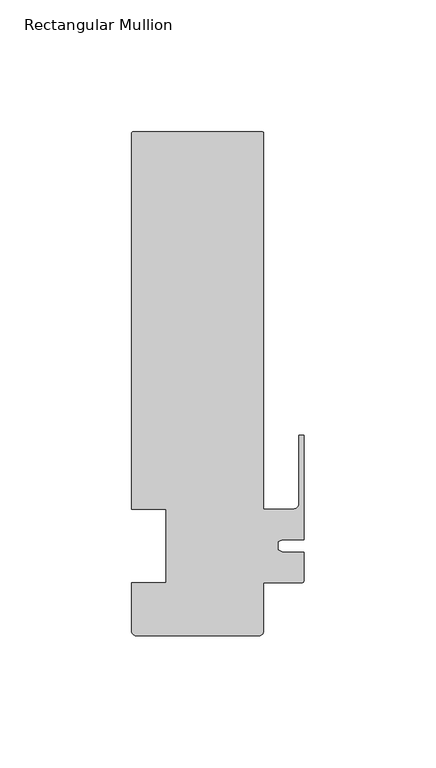
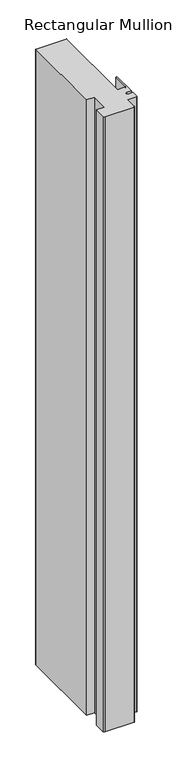
"""IFC4 building model written with IfcOpenShell, lengths in millimetres: member geometry, Rectangular Mullion."""

from ifc_helpers import new_model, si_unit, frame, origin, place, context, project, spatial, polyline, circle_curve, source, transform, mapped, element, save
from ifc_brep_helpers import plane_surface, cylinder_surface, revolved_surface, advanced_brep


def rectangular_mullion_15aab819(model_context):
    return source(origin(), model_context, "Body", "AdvancedBrep", [
        advanced_brep(
        [(-15.9119017, 157.000001, 0.0), (-64.9119017, 157.000001, 0.0), (-65.4119017, 156.500001, 0.0), (-65.4119017, 14.0, 0.0), (-52.4119017, 14.0, 0.0), (-52.4119017, -14.0, 0.0), (-65.4119018, -14.0, 0.0), (-65.4119018, -32.3824565, 0.0), (-63.7943593, -33.999999, 0.0), (-16.9850595, -33.999999, 0.0), (-15.4119016, -32.4268412, 0.0), (-15.4119016, -14.0, 0.0), (-1.0000001, -14.0, 0.0), (0.0, -12.9950012, 0.0), (0.0, -2.3717384, 0.0), (-8.0873177, -2.3717384, 0.0), (-9.9999999, -1.4798401, 0.0), (-9.9999999, 1.5598311, 0.0), (-8.1376447, 2.4282616, 0.0), (0.0, 2.4282616, 0.0), (0.0, 42.000001, 0.0), (-2.0000001, 42.000001, 0.0), (-2.0000001, 16.0000006, 0.0), (-4.0, 14.0000007, 0.0), (-15.4119017, 14.0, 0.0), (-15.4119017, 156.500001, 0.0), (-15.9119017, 157.000001, -1050.0), (-15.4119017, 156.500001, -1050.0), (-15.4119017, 14.0, -1050.0), (-4.0000001, 14.0, -1050.0), (-2.0000001, 16.0000006, -1050.0), (-2.0000001, 42.000001, -1050.0), (0.0, 42.000001, -1050.0), (0.0, 2.4282616, -1050.0), (-8.1376447, 2.4282616, -1050.0), (-9.9999999, 1.5598311, -1050.0), (-9.9999999, -1.4798401, -1050.0), (-8.0873177, -2.3717384, -1050.0), (0.0, -2.3717384, -1050.0), (0.0, -12.9950012, -1050.0), (-1.0000001, -13.9950013, -1050.0), (-15.4119016, -14.0, -1050.0), (-15.4119016, -32.4268412, -1050.0), (-16.9850595, -33.999999, -1050.0), (-63.7943593, -33.999999, -1050.0), (-65.4119018, -32.3824565, -1050.0), (-65.4119018, -14.0, -1050.0), (-52.4119017, -14.0, -1050.0), (-52.4119017, 14.0, -1050.0), (-65.4119017, 14.0, -1050.0), (-65.4119017, 156.500001, -1050.0), (-64.9119017, 157.000001, -1050.0)],
        [
            (0, 1),
            (1, 2, circle_curve(frame((-64.9119017, 156.500001, 0.0), z_axis=(0.0, 0.0, 1.0), x_axis=(1.0, 0.0, 0.0)), 0.5)),
            (2, 3),
            (3, 4),
            (4, 5),
            (5, 6),
            (6, 7),
            (7, 8, circle_curve(frame((-63.7943593, -32.3824565, 0.0), z_axis=(0.0, 0.0, 1.0), x_axis=(1.0, 0.0, 0.0)), 1.6175425)),
            (8, 9),
            (9, 10, circle_curve(frame((-16.9850595, -32.4268412, 0.0), z_axis=(0.0, 0.0, 1.0), x_axis=(1.0, 0.0, 0.0)), 1.5731578)),
            (10, 11),
            (11, 12),
            (12, 13, circle_curve(frame((-1.0000001, -12.9950012, 0.0), z_axis=(0.0, 0.0, 1.0), x_axis=(1.0, 0.0, 0.0)), 1.0000001)),
            (13, 14),
            (14, 15),
            (15, 16),
            (16, 17),
            (17, 18),
            (18, 19),
            (19, 20),
            (20, 21),
            (21, 22),
            (22, 23, circle_curve(frame((-4.0, 16.0000006, 0.0), z_axis=(0.0, 0.0, -1.0), x_axis=(1.0, 0.0, 0.0)), 1.9999999)),
            (23, 24),
            (24, 25),
            (25, 0, circle_curve(frame((-15.9119017, 156.500001, 0.0), z_axis=(0.0, 0.0, 1.0), x_axis=(1.0, 0.0, 0.0)), 0.5)),
            (26, 27, circle_curve(frame((-15.9119017, 156.500001, -1050.0), z_axis=(0.0, 0.0, -1.0), x_axis=(1.0, 0.0, 0.0)), 0.5)),
            (27, 28),
            (28, 29),
            (29, 30, circle_curve(frame((-4.0, 16.0000006, -1050.0), z_axis=(0.0, 0.0, 1.0), x_axis=(1.0, 0.0, 0.0)), 1.9999999)),
            (30, 31),
            (31, 32),
            (32, 33),
            (33, 34),
            (34, 35),
            (35, 36),
            (36, 37),
            (37, 38),
            (38, 39),
            (39, 40, circle_curve(frame((-1.0000001, -12.9950012, -1050.0), z_axis=(0.0, 0.0, -1.0), x_axis=(1.0, 0.0, 0.0)), 1.0000001)),
            (40, 41),
            (41, 42),
            (42, 43, circle_curve(frame((-16.9850595, -32.4268412, -1050.0), z_axis=(0.0, 0.0, -1.0), x_axis=(1.0, 0.0, 0.0)), 1.5731578)),
            (43, 44),
            (44, 45, circle_curve(frame((-63.7943593, -32.3824565, -1050.0), z_axis=(0.0, 0.0, -1.0), x_axis=(1.0, 0.0, 0.0)), 1.6175425)),
            (45, 46),
            (46, 47),
            (47, 48),
            (48, 49),
            (49, 50),
            (50, 51, circle_curve(frame((-64.9119017, 156.500001, -1050.0), z_axis=(0.0, 0.0, -1.0), x_axis=(1.0, 0.0, 0.0)), 0.5)),
            (51, 26),
            (0, 26),
            (51, 1),
            (50, 2),
            (49, 3),
            (48, 4),
            (47, 5),
            (46, 6),
            (45, 7),
            (44, 8),
            (43, 9),
            (42, 10),
            (41, 11),
            (40, 12),
            (39, 13),
            (38, 14),
            (37, 15),
            (36, 16),
            (35, 17),
            (34, 18),
            (33, 19),
            (32, 20),
            (31, 21),
            (30, 22),
            (29, 23),
            (28, 24),
            (27, 25),
        ],
        [
            plane_surface(frame((0.0, -169.8900149, 0.0), z_axis=(0.0, 0.0, 1.0), x_axis=(-1.0, 0.0, 0.0))),
            plane_surface(frame((0.0, -169.8900149, -1050.0), z_axis=(0.0, 0.0, -1.0), x_axis=(-1.0, 0.0, 0.0))),
            plane_surface(frame((-15.9119017, 157.000001, 0.0), z_axis=(0.0, 1.0, 0.0), x_axis=(0.0, 0.0, -1.0))),
            cylinder_surface(frame((-64.9119017, 156.500001, 0.0), z_axis=(0.0, 0.0, 1.0), x_axis=(1.0, 0.0, 0.0)), 0.5),
            plane_surface(frame((-65.4119017, 156.500001, 0.0), z_axis=(-1.0, 0.0, 0.0), x_axis=(0.0, 0.0, -1.0))),
            plane_surface(frame((-65.4119017, 14.0, 0.0), z_axis=(0.0, -1.0, 0.0), x_axis=(0.0, 0.0, -1.0))),
            plane_surface(frame((-52.4119017, 14.0, 0.0), z_axis=(-1.0, 0.0, 0.0), x_axis=(0.0, 0.0, -1.0))),
            plane_surface(frame((-52.4119017, -14.0, 0.0), z_axis=(0.0, 1.0, 0.0), x_axis=(0.0, 0.0, -1.0))),
            plane_surface(frame((-65.4119018, -14.0, 0.0), z_axis=(-1.0, 0.0, 0.0), x_axis=(0.0, 0.0, -1.0))),
            cylinder_surface(frame((-63.7943593, -32.3824565, 0.0), z_axis=(0.0, 0.0, 1.0), x_axis=(1.0, 0.0, 0.0)), 1.6175425),
            plane_surface(frame((-63.7943593, -33.999999, 0.0), z_axis=(0.0, -1.0, 0.0), x_axis=(0.0, 0.0, -1.0))),
            cylinder_surface(frame((-16.9850595, -32.4268412, 0.0), z_axis=(0.0, 0.0, 1.0), x_axis=(1.0, 0.0, 0.0)), 1.5731578),
            plane_surface(frame((-15.4119016, -32.4268412, 0.0), z_axis=(1.0, 0.0, 0.0), x_axis=(0.0, 0.0, -1.0))),
            plane_surface(frame((-15.4119016, -14.0, 0.0), z_axis=(0.0, -1.0, 0.0), x_axis=(0.0, 0.0, -1.0))),
            cylinder_surface(frame((-1.0000001, -12.9950012, 0.0), z_axis=(0.0, 0.0, 1.0), x_axis=(1.0, 0.0, 0.0)), 1.0000001),
            plane_surface(frame((0.0, -12.9950012, 0.0), z_axis=(1.0, 0.0, 0.0), x_axis=(0.0, 0.0, -1.0))),
            plane_surface(frame((0.0, -2.3717384, 0.0), z_axis=(0.0, 1.0, 0.0), x_axis=(0.0, 0.0, -1.0))),
            plane_surface(frame((-8.0873177, -2.3717384, 0.0), z_axis=(0.42261826174182476, 0.9063077870361252, 0.0), x_axis=(0.0, 0.0, -1.0))),
            plane_surface(frame((-9.9999999, -1.4798401, 0.0), z_axis=(1.0, 0.0, 0.0), x_axis=(0.0, 0.0, -1.0))),
            plane_surface(frame((-9.9999999, 1.5598311, 0.0), z_axis=(0.4226182617404111, -0.9063077870367845, 0.0), x_axis=(0.0, 0.0, -1.0))),
            plane_surface(frame((-8.1376447, 2.4282616, 0.0), z_axis=(0.0, -1.0, 0.0), x_axis=(0.0, 0.0, -1.0))),
            plane_surface(frame((0.0, 2.4282616, 0.0), z_axis=(1.0, 0.0, 0.0), x_axis=(0.0, 0.0, -1.0))),
            plane_surface(frame((0.0, 42.000001, 0.0), z_axis=(0.0, 1.0, 0.0), x_axis=(0.0, 0.0, -1.0))),
            plane_surface(frame((-2.0000001, 42.000001, 0.0), z_axis=(-1.0, 0.0, 0.0), x_axis=(0.0, 0.0, -1.0))),
            revolved_surface(polyline([(-2.0000001000000003, 16.0000006, -1050.0), (-2.0000001000000003, 16.0000006, 0.0)]), (-4.0, 16.0000006, 0.0), (0.0, 0.0, -1.0)),
            plane_surface(frame((-4.0000001, 14.0, 0.0), z_axis=(0.0, 1.0, 0.0), x_axis=(0.0, 0.0, -1.0))),
            plane_surface(frame((-15.4119017, 14.0, 0.0), z_axis=(1.0, 0.0, 0.0), x_axis=(0.0, 0.0, -1.0))),
            cylinder_surface(frame((-15.9119017, 156.500001, 0.0), z_axis=(0.0, 0.0, 1.0), x_axis=(1.0, 0.0, 0.0)), 0.5),
        ],
        [
            (0, [[1, 2, 3, 4, 5, 6, 7, 8, 9, 10, 11, 12, 13, 14, 15, 16, 17, 18, 19, 20, 21, 22, 23, 24, 25, 26]]),
            (1, [[27, 28, 29, 30, 31, 32, 33, 34, 35, 36, 37, 38, 39, 40, 41, 42, 43, 44, 45, 46, 47, 48, 49, 50, 51, 52]]),
            (2, [[-1, 53, -52, 54]]),
            (3, [[-2, -54, -51, 55]]),
            (4, [[-3, -55, -50, 56]]),
            (5, [[-4, -56, -49, 57]]),
            (6, [[-5, -57, -48, 58]]),
            (7, [[-6, -58, -47, 59]]),
            (8, [[-7, -59, -46, 60]]),
            (9, [[-8, -60, -45, 61]]),
            (10, [[-9, -61, -44, 62]]),
            (11, [[-10, -62, -43, 63]]),
            (12, [[-11, -63, -42, 64]]),
            (13, [[-12, -64, -41, 65]]),
            (14, [[-13, -65, -40, 66]]),
            (15, [[-14, -66, -39, 67]]),
            (16, [[-15, -67, -38, 68]]),
            (17, [[-16, -68, -37, 69]]),
            (18, [[-17, -69, -36, 70]]),
            (19, [[-18, -70, -35, 71]]),
            (20, [[-19, -71, -34, 72]]),
            (21, [[-20, -72, -33, 73]]),
            (22, [[-21, -73, -32, 74]]),
            (23, [[-22, -74, -31, 75]]),
            (24, [[-23, -75, -30, 76]]),
            (25, [[-24, -76, -29, 77]]),
            (26, [[-25, -77, -28, 78]]),
            (27, [[-26, -78, -27, -53]]),
        ],
    ),
    ])


if __name__ == "__main__":
    model = new_model("IFC4")
    model_context = context("Model", 3, world=origin())
    ifc_project = project(units=[si_unit("LENGTHUNIT", "METRE", prefix="MILLI")], contexts=[model_context])
    site = spatial("IfcSite", under=ifc_project)
    building = spatial("IfcBuilding", under=site)
    placement = place(None, origin())
    rectangular_mullion_shape = rectangular_mullion_15aab819(model_context)
    element("IfcMember", 1, ObjectType="Rectangular Mullion", at=placement, inside=building, context=model_context, shape_type="MappedRepresentation", body=[
        mapped(rectangular_mullion_shape, transform((0.0, 0.0, 0.0), x_axis=(1.0, 0.0, 0.0), y_axis=(0.0, 1.0, 0.0), z_axis=(0.0, 0.0, 1.0))),
    ])
    save(model, "model.ifc")
